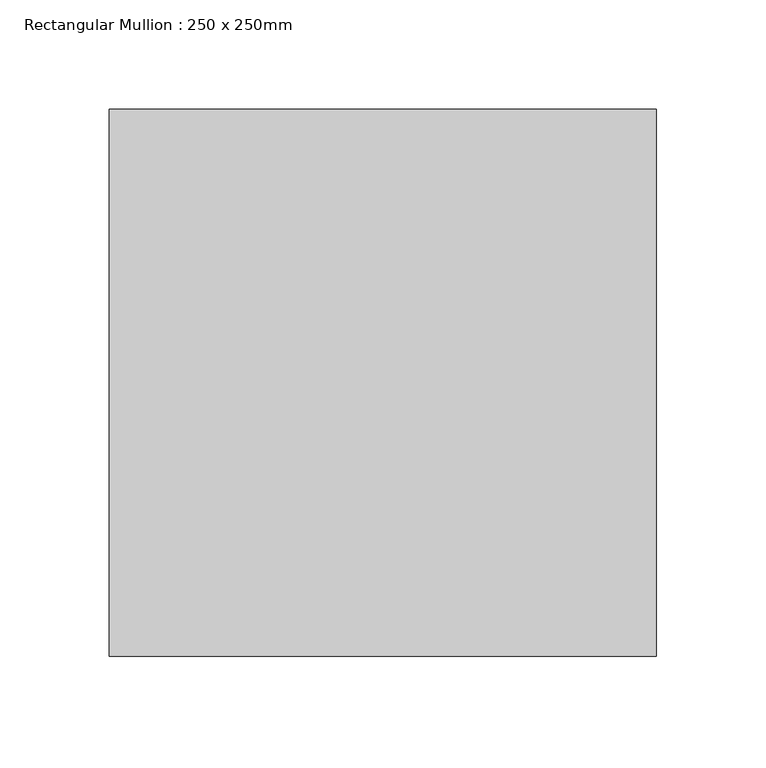
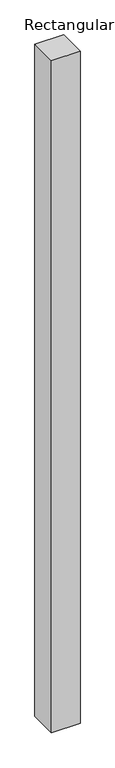
"""IFC4 building model written with IfcOpenShell, lengths in millimetres: member geometry, Rectangular Mullion : 250 x 250mm."""

import ifcopenshell
import ifcopenshell.guid

model = None  # the IFC model being written
_history = None  # IfcOwnerHistory: only IFC2X3 demands one
_inside = {}  # id of a spatial element -> (the spatial element, [elements in it])
_under = {}  # id of a project, library or spatial element -> (it, [spatial elements below it])
_declared = {}  # id of a project -> (the project, [libraries it declares])
_typed = {}  # id of a type object -> (the type object, [elements of that type])
_made_of = {}  # id of a material, layer set ... -> (it, [elements and type objects made of it])


def new_model(schema):
    """Start an empty IFC model of exactly this schema.

    Asked for "IFC4X3", IfcOpenShell would pick the latest addendum, in which some entities
    have other attributes; the version numbers below select the first issue.
    IFC2X3 requires an IfcOwnerHistory on every rooted entity: one is made here for all.
    """
    global model, _history
    if schema == "IFC4X3":
        model = ifcopenshell.file(schema_version=(4, 3, 0, 0))
    else:
        model = ifcopenshell.file(schema=schema)
    _inside.clear()
    _under.clear()
    _declared.clear()
    _typed.clear()
    _made_of.clear()
    _history = None
    if model.schema == "IFC2X3":
        org = make("IfcOrganization", Name="unknown")
        user = make(
            "IfcPersonAndOrganization",
            ThePerson=make("IfcPerson", FamilyName="unknown"),
            TheOrganization=org,
        )
        app = make(
            "IfcApplication",
            ApplicationDeveloper=org,
            Version="unknown",
            ApplicationFullName="unknown",
            ApplicationIdentifier="unknown",
        )
        _history = make(
            "IfcOwnerHistory",
            OwningUser=user,
            OwningApplication=app,
            ChangeAction="ADDED",
            CreationDate=0,
        )
    return model


def make(cls, **values):
    """One entity of the class cls with the attributes given. An attribute that is None is left unset."""
    return model.create_entity(
        cls, **{name: value for name, value in values.items() if value is not None}
    )


def rooted(cls, **values):
    """An entity with a GlobalId (a new one), such as an element, a storey or a relation."""
    return make(cls, GlobalId=ifcopenshell.guid.new(), OwnerHistory=_history, **values)


def si_unit(unit_type, name, prefix=None):
    """IfcSIUnit, for example si_unit("LENGTHUNIT", "METRE", prefix="MILLI")."""
    return make("IfcSIUnit", UnitType=unit_type, Prefix=prefix, Name=name)


def assignment(units):
    """IfcUnitAssignment: the units of a project."""
    return None if units is None else make("IfcUnitAssignment", Units=units)


def point(xyz):
    """IfcCartesianPoint."""
    return None if xyz is None else make("IfcCartesianPoint", Coordinates=xyz)


def direction(xyz):
    """IfcDirection."""
    return None if xyz is None else make("IfcDirection", DirectionRatios=xyz)


def frame(location, z_axis=None, x_axis=None):
    """IfcAxis2Placement3D, a coordinate frame: its origin and axes. An axis left out is left unset."""
    return make(
        "IfcAxis2Placement3D",
        Location=point(location),
        Axis=direction(z_axis),
        RefDirection=direction(x_axis),
    )


def origin():
    """The frame at (0, 0, 0) with its axes left unset."""
    return frame((0.0, 0.0, 0.0))


def place(relative_to, where):
    """IfcLocalPlacement: puts the frame where relative to a parent placement (None: the world)."""
    return make(
        "IfcLocalPlacement", PlacementRelTo=relative_to, RelativePlacement=where
    )


def context(
    kind, dimensions, precision=None, world=None, true_north=None, identifier=None
):
    """IfcGeometricRepresentationContext, for example the 3D "Model" context."""
    return make(
        "IfcGeometricRepresentationContext",
        ContextIdentifier=identifier,
        ContextType=kind,
        CoordinateSpaceDimension=dimensions,
        Precision=precision,
        WorldCoordinateSystem=world,
        TrueNorth=true_north,
    )


def project(units=None, contexts=None):
    """IfcProject with its units and contexts."""
    return rooted(
        "IfcProject",
        Name="project",
        RepresentationContexts=contexts,
        UnitsInContext=assignment(units),
    )


def spatial(cls, under=None, at=None, **own):
    """A site, building, storey or space (cls), placed at a placement, below another one or the project."""
    s = rooted(cls, ObjectPlacement=at, **own)
    if under is not None:
        _under.setdefault(under.id(), (under, []))[1].append(s)
    return s


def polyline(points):
    """IfcPolyline through the points."""
    return make("IfcPolyline", Points=[point(p) for p in points])


def outline(outer, holes=None, kind="AREA"):
    """IfcArbitraryClosedProfileDef: a profile drawn as a closed curve; with holes, ...WithVoids."""
    if holes is None:
        return make("IfcArbitraryClosedProfileDef", ProfileType=kind, OuterCurve=outer)
    return make(
        "IfcArbitraryProfileDefWithVoids",
        ProfileType=kind,
        OuterCurve=outer,
        InnerCurves=holes,
    )


def extrude(swept, where, along, depth):
    """IfcExtrudedAreaSolid: the profile swept, set in the frame where, extruded along a direction by depth."""
    return make(
        "IfcExtrudedAreaSolid",
        SweptArea=swept,
        Position=where,
        ExtrudedDirection=direction(along),
        Depth=depth,
    )


def shape(context_of_items, identifier, shape_type, items):
    """IfcShapeRepresentation: the items that make up one representation, for example the "Body"."""
    return make(
        "IfcShapeRepresentation",
        ContextOfItems=context_of_items,
        RepresentationIdentifier=identifier,
        RepresentationType=shape_type,
        Items=items,
    )


def source(mapping_origin, context_of_items, identifier, shape_type, items):
    """IfcRepresentationMap: a shape defined once, which mapped items show again and again."""
    return make(
        "IfcRepresentationMap",
        MappingOrigin=mapping_origin,
        MappedRepresentation=shape(context_of_items, identifier, shape_type, items),
    )


def transform(
    local_origin,
    x_axis=None,
    y_axis=None,
    z_axis=None,
    scale=None,
    scale2=None,
    scale3=None,
    uniform=True,
):
    """IfcCartesianTransformationOperator3D, or its non-uniform kind. x_axis, y_axis, z_axis: its Axis1, 2, 3."""
    if uniform:
        return make(
            "IfcCartesianTransformationOperator3D",
            Axis1=direction(x_axis),
            Axis2=direction(y_axis),
            LocalOrigin=point(local_origin),
            Scale=scale,
            Axis3=direction(z_axis),
        )
    return make(
        "IfcCartesianTransformationOperator3DnonUniform",
        Axis1=direction(x_axis),
        Axis2=direction(y_axis),
        LocalOrigin=point(local_origin),
        Scale=scale,
        Axis3=direction(z_axis),
        Scale2=scale2,
        Scale3=scale3,
    )


def mapped(mapping_source, mapping_target):
    """IfcMappedItem: shows the shape of a source again, moved by a transform."""
    return make(
        "IfcMappedItem", MappingSource=mapping_source, MappingTarget=mapping_target
    )


def made_of(thing, what):
    """Note that an element or type object is made of a material, layer set ...; save() writes the relation."""
    if what is not None:
        _made_of.setdefault(what.id(), (what, []))[1].append(thing)
    return thing


def element(
    cls,
    number,
    at=None,
    inside=None,
    cuts=None,
    type_object=None,
    material=None,
    context=None,
    identifier="Body",
    shape_type=None,
    held_by="IfcProductDefinitionShape",
    body=None,
    shapes=None,
    **own,
):
    """One element of the class cls, such as IfcWall. Its Tag is "e" and its number.

    at: its placement. inside: the storey or other place that contains it. cuts: it is an
    opening in that element (IfcRelVoidsElement). A single representation is given by context,
    identifier, shape_type and body (its items); several are given by shapes. held_by: the class
    of the entity that holds the representations. save() writes the other relations.
    """
    e = rooted(cls, Tag="e%d" % number, ObjectPlacement=at, **own)
    if body is not None:
        shapes = [shape(context, identifier, shape_type, body)]
    if shapes is not None:
        e.Representation = make(held_by, Representations=shapes)
    if inside is not None:
        _inside.setdefault(inside.id(), (inside, []))[1].append(e)
    if cuts is not None:
        rooted(
            "IfcRelVoidsElement", RelatingBuildingElement=cuts, RelatedOpeningElement=e
        )
    if type_object is not None:
        _typed.setdefault(type_object.id(), (type_object, []))[1].append(e)
    return made_of(e, material)


def aggregate(whole, parts):
    """IfcRelAggregates: a whole, such as a stair, and the parts it consists of."""
    return rooted("IfcRelAggregates", RelatingObject=whole, RelatedObjects=parts)


def save(model, path):
    """Write the relations noted so far, then the file.

    IfcRelAggregates (storeys below a building ...), IfcRelContainedInSpatialStructure (elements
    in a storey), IfcRelDefinesByType, IfcRelAssociatesMaterial and IfcRelDeclares: one each for
    every whole, place, type object, material and project.
    """
    for whole, parts in _under.values():
        aggregate(whole, parts)
    for where, things in _inside.values():
        rooted(
            "IfcRelContainedInSpatialStructure",
            RelatedElements=things,
            RelatingStructure=where,
        )
    for kind, things in _typed.values():
        rooted("IfcRelDefinesByType", RelatedObjects=things, RelatingType=kind)
    for what, things in _made_of.values():
        rooted("IfcRelAssociatesMaterial", RelatedObjects=things, RelatingMaterial=what)
    for by, libraries in _declared.values():
        rooted("IfcRelDeclares", RelatingContext=by, RelatedDefinitions=libraries)
    model.write(path)


def rectangular_mullion_250_x_250mm_d86b0439(model_context):
    return source(origin(), model_context, "Body", "SweptSolid", [
        extrude(outline(polyline([(0.0, 125.0), (0.0, -125.0), (-250.0, -125.0), (-250.0, 125.0), (0.0, 125.0)])), frame((0.0, 0.0, -6211.6570825), z_axis=(0.0, 0.0, 1.0), x_axis=(1.0, 0.0, 0.0)), (0.0, 0.0, 1.0), 6211.6570825),
    ])


if __name__ == "__main__":
    model = new_model("IFC4")
    model_context = context("Model", 3, world=origin())
    ifc_project = project(units=[si_unit("LENGTHUNIT", "METRE", prefix="MILLI")], contexts=[model_context])
    site = spatial("IfcSite", under=ifc_project)
    building = spatial("IfcBuilding", under=site)
    placement = place(None, origin())
    rectangular_mullion_250_x_250mm_shape = rectangular_mullion_250_x_250mm_d86b0439(model_context)
    element("IfcMember", 1, ObjectType="Rectangular Mullion : 250 x 250mm", at=placement, inside=building, context=model_context, shape_type="MappedRepresentation", body=[
        mapped(rectangular_mullion_250_x_250mm_shape, transform((0.0, 0.0, 0.0), x_axis=(1.0, 0.0, 0.0), y_axis=(0.0, 1.0, 0.0), z_axis=(0.0, 0.0, 1.0))),
    ])
    save(model, "model.ifc")
